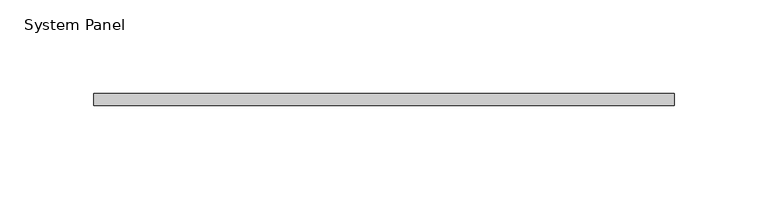
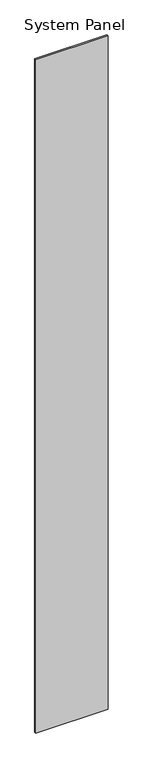
"""IFC4 building model written with IfcOpenShell, lengths in millimetres: plate geometry, System Panel."""

from ifc_helpers import new_model, si_unit, origin, origin_with_axes, place, context, project, spatial, polyline, outline, extrude, source, transform, mapped, element, save


def system_panel_9fb7766f(model_context):
    return source(origin(), model_context, "Body", "SweptSolid", [
        extrude(outline(polyline([(154.9558553, 0.0), (-154.9558553, 0.0), (-154.9558553, 6.35), (154.9558553, 6.35), (154.9558553, 0.0)])), origin_with_axes(), (0.0, 0.0, 1.0), 3048.0),
    ])


if __name__ == "__main__":
    model = new_model("IFC4")
    model_context = context("Model", 3, world=origin())
    ifc_project = project(units=[si_unit("LENGTHUNIT", "METRE", prefix="MILLI")], contexts=[model_context])
    site = spatial("IfcSite", under=ifc_project)
    building = spatial("IfcBuilding", under=site)
    placement = place(None, origin())
    system_panel_shape = system_panel_9fb7766f(model_context)
    element("IfcPlate", 1, ObjectType="System Panel", at=placement, inside=building, context=model_context, shape_type="MappedRepresentation", body=[
        mapped(system_panel_shape, transform((0.0, 0.0, 0.0), x_axis=(1.0, 0.0, 0.0), y_axis=(0.0, 1.0, 0.0), z_axis=(0.0, 0.0, 1.0))),
    ])
    save(model, "model.ifc")
